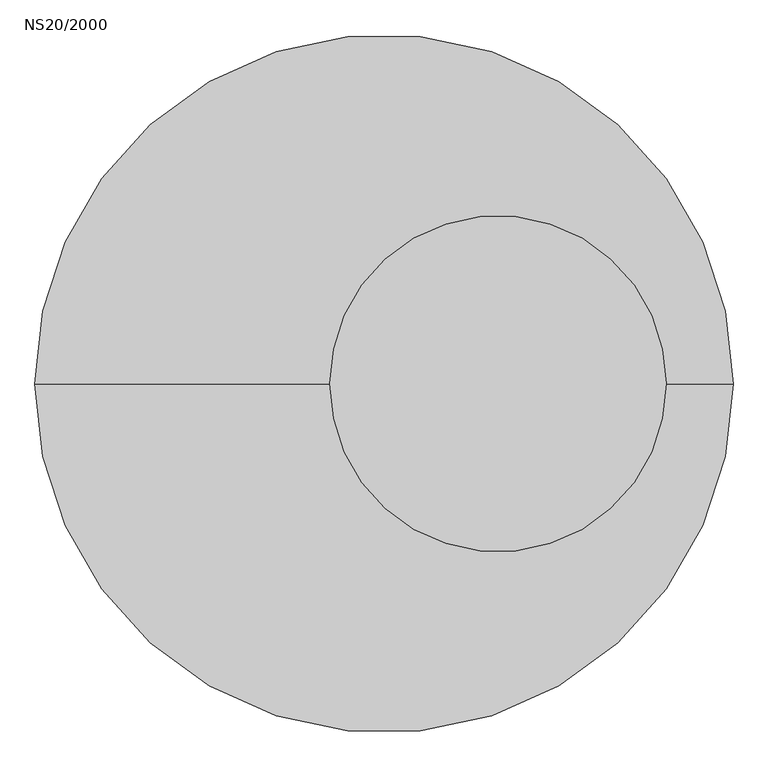
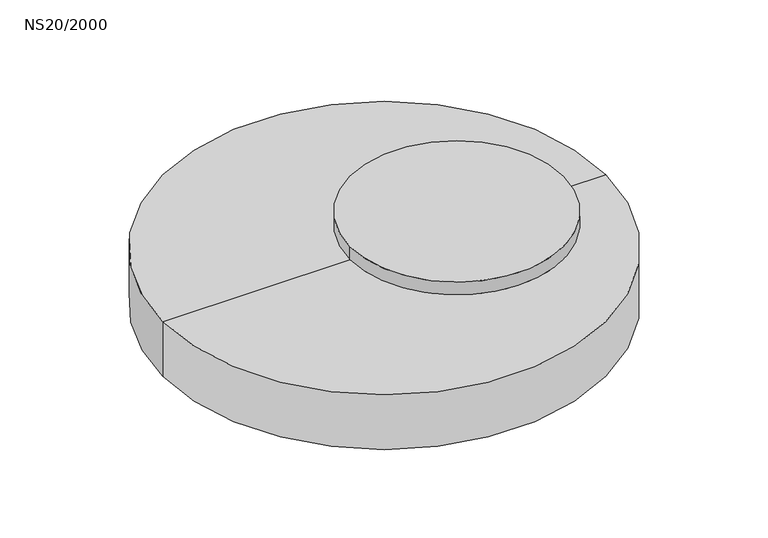
"""IFC4 building model written with IfcOpenShell, lengths in millimetres: proxy geometry, NS20/2000."""

from ifc_helpers import new_model, si_unit, frame, origin, place, context, project, spatial, polyline, circle_curve, source, transform, mapped, element, save
from ifc_brep_helpers import plane_surface, cylinder_surface, revolved_surface, advanced_brep


def ns20_2000_0122255c(model_context):
    return source(origin(), model_context, "Body", "AdvancedBrep", [
        advanced_brep(
        [(1225.0, 0.0, -840.1822102), (-1225.0, 0.0, -840.1822102), (-190.0, 0.0, -840.1822102), (990.0, 0.0, -840.1822102), (1225.0, 0.0, -1160.1822102), (-1225.0, 0.0, -1160.1822102), (1165.0, 0.0, -1160.1822102), (-1165.0, 0.0, -1160.1822102), (1165.0, 0.0, -1080.1822102), (-1165.0, 0.0, -1080.1822102), (0.0, 0.0, -1080.1822102), (-190.0, 0.0, -765.0), (990.0, 0.0, -765.0)],
        [
            (0, 1, circle_curve(frame((0.0, 0.0, -840.1822102), z_axis=(0.0, 0.0, 1.0), x_axis=(-1.0, 0.0, 0.0)), 1225.0)),
            (1, 2),
            (2, 3, circle_curve(frame((400.0, 0.0, -840.1822102), z_axis=(0.0, 0.0, -1.0), x_axis=(1.0, 0.0, 0.0)), 590.0)),
            (3, 0),
            (1, 0, circle_curve(frame((0.0, 0.0, -840.1822102), z_axis=(0.0, 0.0, 1.0), x_axis=(-1.0, 0.0, 0.0)), 1225.0)),
            (3, 2, circle_curve(frame((400.0, 0.0, -840.1822102), z_axis=(0.0, 0.0, -1.0), x_axis=(1.0, 0.0, 0.0)), 590.0)),
            (0, 4),
            (4, 5, circle_curve(frame((0.0, 0.0, -1160.1822102), z_axis=(0.0, 0.0, 1.0), x_axis=(-1.0, 0.0, 0.0)), 1225.0)),
            (5, 1),
            (5, 4, circle_curve(frame((0.0, 0.0, -1160.1822102), z_axis=(0.0, 0.0, 1.0), x_axis=(-1.0, 0.0, 0.0)), 1225.0)),
            (4, 6),
            (6, 7, circle_curve(frame((0.0, 0.0, -1160.1822102), z_axis=(0.0, 0.0, 1.0), x_axis=(-1.0, 0.0, 0.0)), 1165.0)),
            (7, 5),
            (7, 6, circle_curve(frame((0.0, 0.0, -1160.1822102), z_axis=(0.0, 0.0, 1.0), x_axis=(-1.0, 0.0, 0.0)), 1165.0)),
            (6, 8),
            (8, 9, circle_curve(frame((0.0, 0.0, -1080.1822102), z_axis=(0.0, 0.0, 1.0), x_axis=(-1.0, 0.0, 0.0)), 1165.0)),
            (9, 7),
            (9, 8, circle_curve(frame((0.0, 0.0, -1080.1822102), z_axis=(0.0, 0.0, 1.0), x_axis=(-1.0, 0.0, 0.0)), 1165.0)),
            (8, 10),
            (10, 9),
            (11, 12, circle_curve(frame((400.0, 0.0, -765.0), z_axis=(0.0, 0.0, 1.0), x_axis=(1.0, 0.0, 0.0)), 590.0)),
            (12, 11, circle_curve(frame((400.0, 0.0, -765.0), z_axis=(0.0, 0.0, 1.0), x_axis=(1.0, 0.0, 0.0)), 590.0)),
            (11, 2),
            (3, 12),
        ],
        [
            plane_surface(frame((0.0, 0.0, -840.1822102), z_axis=(0.0, 0.0, 1.0), x_axis=(-1.0, 0.0, 0.0))),
            cylinder_surface(frame((0.0, 0.0, -840.1822102), z_axis=(0.0, 0.0, -1.0), x_axis=(-1.0, 0.0, 0.0)), 1225.0),
            plane_surface(frame((0.0, 0.0, -1160.1822102), z_axis=(0.0, 0.0, -1.0), x_axis=(-1.0, 0.0, 0.0))),
            revolved_surface(polyline([(-1165.0, 0.0, -1160.1822102), (-1165.0, 0.0, -1080.1822102)]), (0.0, 0.0, -840.1822102), (0.0, 0.0, -1.0)),
            plane_surface(frame((0.0, 0.0, -1080.1822102), z_axis=(0.0, 0.0, -1.0), x_axis=(-1.0, 0.0, 0.0))),
            plane_surface(frame((990.0, 0.0, -765.0), z_axis=(0.0, 0.0, 1.0), x_axis=(0.0, 1.0, 0.0))),
            cylinder_surface(frame((400.0, 0.0, -840.1822102), z_axis=(0.0, 0.0, 1.0), x_axis=(1.0, 0.0, 0.0)), 590.0),
        ],
        [
            (0, [[1, 2, 3, 4]]),
            (0, [[5, -4, 6, -2]]),
            (1, [[-1, 7, 8, 9]]),
            (1, [[-5, -9, 10, -7]]),
            (2, [[-8, 11, 12, 13]]),
            (2, [[-10, -13, 14, -11]]),
            (3, [[-12, 15, 16, 17]]),
            (3, [[-14, -17, 18, -15]]),
            (4, [[-16, 19, 20]]),
            (4, [[-18, -20, -19]]),
            (5, [[21, 22]]),
            (6, [[-21, 23, -6, 24]]),
            (6, [[-22, -24, -3, -23]]),
        ],
    ),
    ])


if __name__ == "__main__":
    model = new_model("IFC4")
    model_context = context("Model", 3, world=origin())
    ifc_project = project(units=[si_unit("LENGTHUNIT", "METRE", prefix="MILLI")], contexts=[model_context])
    site = spatial("IfcSite", under=ifc_project)
    building = spatial("IfcBuilding", under=site)
    placement = place(None, origin())
    ns20_2000_shape = ns20_2000_0122255c(model_context)
    element("IfcBuildingElementProxy", 1, Name="NS20/2000", ObjectType="NS20/2000", at=placement, inside=building, context=model_context, shape_type="MappedRepresentation", body=[
        mapped(ns20_2000_shape, transform((0.0, 0.0, 0.0), x_axis=(1.0, 0.0, 0.0), y_axis=(0.0, 1.0, 0.0), z_axis=(0.0, 0.0, 1.0))),
    ])
    save(model, "model.ifc")
